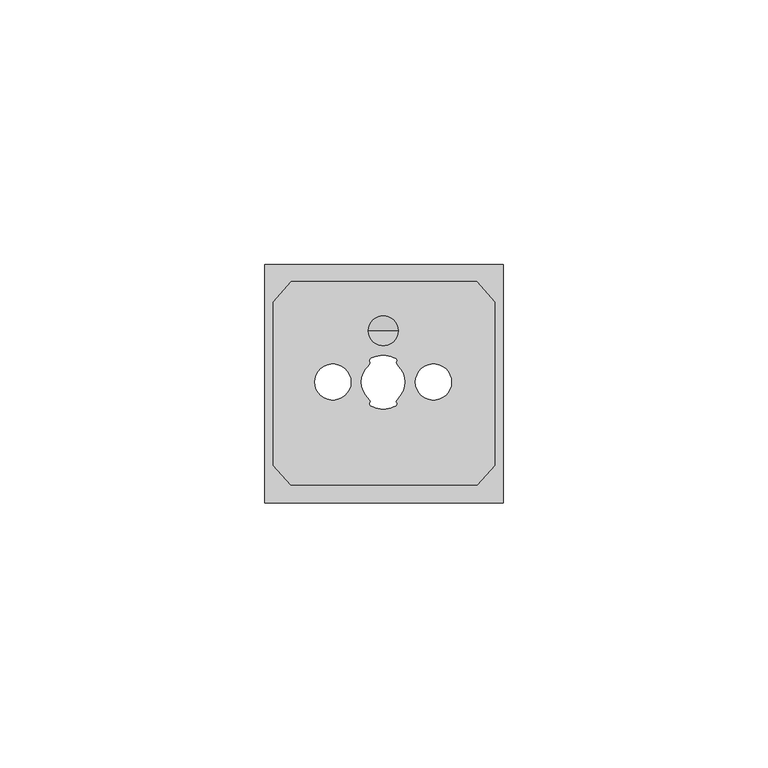
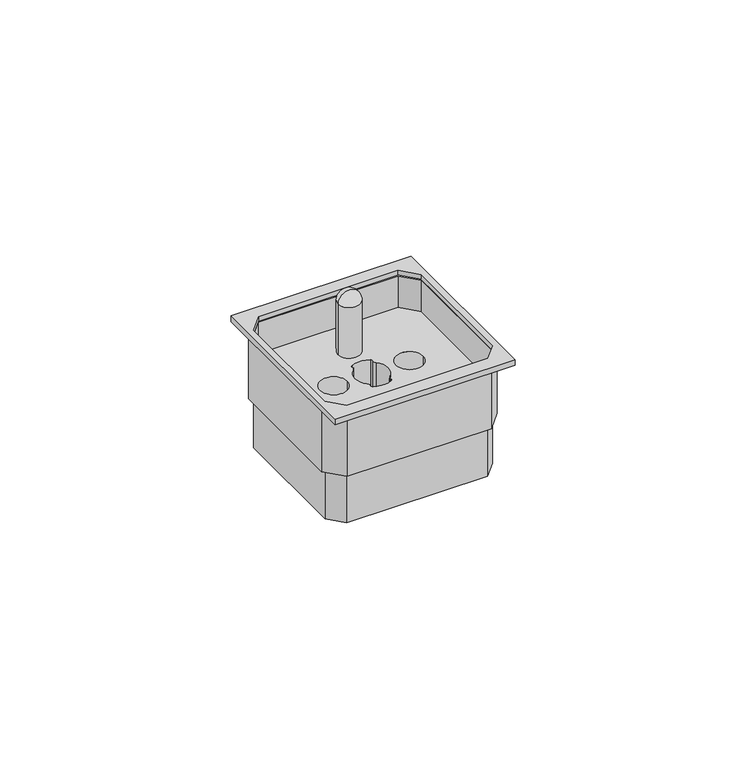
"""IFC4 building model written with IfcOpenShell, lengths in millimetres: proxy geometry."""

from ifc_helpers import new_model, si_unit, point, frame, origin, origin_with_axes, place, context, project, spatial, polyline, circle_curve, ellipse_curve, trimmed, outline, extrude, source, transform, mapped, element, save
from ifc_brep_helpers import plane_surface, cylinder_surface, revolved_surface, advanced_brep


def electrical_fixtures_b7c8e9e1(model_context):
    return source(origin(), model_context, "Body", "SolidModel", [
        advanced_brep(
        [(25.1564246, 32.5067214, -7.971422), (19.5435754, 32.5067214, -7.971422), (19.5435754, 32.5067214, 5.3723364), (25.1564246, 32.5067214, 5.3723364), (22.35, 32.5067214, -7.971422), (22.35, 32.5067214, 8.178761)],
        [
            (0, 1, circle_curve(frame((22.35, 32.5067214, -7.971422), z_axis=(0.0, 0.0, 1.0), x_axis=(-1.0, 0.0, 0.0)), 2.8064246)),
            (1, 2),
            (2, 3, circle_curve(frame((22.35, 32.5067214, 5.3723364), z_axis=(0.0, 0.0, -1.0), x_axis=(-1.0, 0.0, 0.0)), 2.8064246)),
            (3, 0),
            (1, 0, circle_curve(frame((22.35, 32.5067214, -7.971422), z_axis=(0.0, 0.0, 1.0), x_axis=(-1.0, 0.0, 0.0)), 2.8064246)),
            (3, 2, circle_curve(frame((22.35, 32.5067214, 5.3723364), z_axis=(0.0, 0.0, -1.0), x_axis=(-1.0, 0.0, 0.0)), 2.8064246)),
            (4, 1),
            (0, 4),
            (2, 5, circle_curve(frame((22.35, 32.5067214, 5.3723364), z_axis=(0.0, 1.0, 0.0), x_axis=(1.0, 0.0, 0.0)), 2.8064246)),
            (5, 3, circle_curve(frame((22.35, 32.5067214, 5.3723364), z_axis=(0.0, 1.0, 0.0), x_axis=(-1.0, 0.0, 0.0)), 2.8064246)),
        ],
        [
            cylinder_surface(frame((22.35, 32.5067214, 8.6735164), z_axis=(0.0, 0.0, -1.0), x_axis=(-1.0, 0.0, 0.0)), 2.8064246),
            plane_surface(frame((22.35, 32.5067214, -7.971422), z_axis=(0.0, 0.0, -1.0), x_axis=(-1.0, 0.0, 0.0))),
            revolved_surface(trimmed(ellipse_curve(frame((22.35, 32.5067214, 5.3723364), z_axis=(0.0, -1.0, 0.0), x_axis=(1.0, 0.0, 0.0)), 2.8064246, 2.8064246), [point((22.35, 32.5067214, 8.178761))], [point((19.5435754, 32.5067214, 5.3723364))], True, "CARTESIAN"), (22.35, 32.5067214, 8.6735164), (0.0, 0.0, -1.0)),
        ],
        [
            (0, [[1, 2, 3, 4]]),
            (0, [[5, -4, 6, -2]]),
            (1, [[7, -1, 8]]),
            (1, [[-8, -5, -7]]),
            (2, [[-3, 9, 10]]),
            (2, [[-6, -10, -9]]),
        ],
    ),
        extrude(outline(polyline([(40.4129877, 42.7791576), (44.4291576, 38.3427302), (44.4291576, 6.6572698), (40.5299104, 2.35), (4.4700896, 2.35), (0.5708424, 6.6572698), (0.5708424, 38.3427302), (4.5870123, 42.7791576), (40.4129877, 42.7791576)]), holes=[polyline([(5.0306354, 41.7791576), (1.5708424, 37.9573271), (1.5708424, 7.0426729), (4.9137127, 3.35), (40.0862873, 3.35), (43.4291576, 7.0426729), (43.4291576, 37.9573271), (39.9693646, 41.7791576), (5.0306354, 41.7791576)])]), frame((0.0, 0.0, -16.5585897), z_axis=(0.0, 0.0, 1.0), x_axis=(1.0, 0.0, 0.0)), (0.0, 0.0, 1.0), 16.5585897),
        advanced_brep(
        [(5.0306354, 41.7791576, -7.971422), (1.5708424, 37.9573271, -7.971422), (1.5708424, 7.0426729, -7.971422), (4.9137127, 3.35, -7.971422), (40.0862873, 3.35, -7.971422), (43.4291576, 7.0426729, -7.971422), (43.4291576, 37.9573271, -7.971422), (39.9693646, 41.7791576, -7.971422), (9.453694, 22.8075188, -7.971422), (16.253694, 22.8075188, -7.971422), (28.446306, 22.8075188, -7.971422), (35.246306, 22.8075188, -7.971422), (19.5435754, 19.8185422, -7.971422), (19.5435754, 25.7964953, -7.971422), (20.0092698, 26.4860346, -7.971422), (20.0727671, 27.3265323, -7.971422), (24.6727671, 27.3265323, -7.971422), (24.6907302, 26.4860346, -7.971422), (25.1564246, 25.7964953, -7.971422), (25.1564246, 19.8185422, -7.971422), (24.6907302, 19.1290029, -7.971422), (24.6272329, 18.2885052, -7.971422), (20.0727671, 18.2885052, -7.971422), (20.0092698, 19.1290029, -7.971422), (5.0306354, 41.7791576, -29.5858733), (39.9693646, 41.7791576, -29.5858733), (43.4291576, 37.9573271, -29.5858733), (43.4291576, 7.0426729, -29.5858733), (40.0862873, 3.35, -29.5858733), (4.9137127, 3.35, -29.5858733), (1.5708424, 7.0426729, -29.5858733), (1.5708424, 37.9573271, -29.5858733), (9.453694, 22.8075188, -29.5858733), (16.253694, 22.8075188, -29.5858733), (28.446306, 22.8075188, -29.5858733), (35.246306, 22.8075188, -29.5858733), (19.5435754, 19.8185422, -29.5858733), (20.0092698, 19.1290029, -29.5858733), (20.0727671, 18.2885052, -29.5858733), (24.6727671, 18.2885052, -29.5858733), (24.6907302, 19.1290029, -29.5858733), (25.1564246, 19.8185422, -29.5858733), (25.1564246, 25.7964953, -29.5858733), (24.6907302, 26.4860346, -29.5858733), (24.6272329, 27.3265323, -29.5858733), (20.0727671, 27.3265323, -29.5858733), (20.0092698, 26.4860346, -29.5858733), (19.5435754, 25.7964953, -29.5858733)],
        [
            (0, 1),
            (1, 2),
            (2, 3),
            (3, 4),
            (4, 5),
            (5, 6),
            (6, 7),
            (7, 0),
            (8, 9, circle_curve(frame((12.853694, 22.8075188, -7.971422), z_axis=(0.0, 0.0, -1.0), x_axis=(1.0, 0.0, 0.0)), 3.4)),
            (9, 8, circle_curve(frame((12.853694, 22.8075188, -7.971422), z_axis=(0.0, 0.0, -1.0), x_axis=(1.0, 0.0, 0.0)), 3.4)),
            (10, 11, circle_curve(frame((31.846306, 22.8075188, -7.971422), z_axis=(0.0, 0.0, -1.0), x_axis=(1.0, 0.0, 0.0)), 3.4)),
            (11, 10, circle_curve(frame((31.846306, 22.8075188, -7.971422), z_axis=(0.0, 0.0, -1.0), x_axis=(1.0, 0.0, 0.0)), 3.4)),
            (12, 13, circle_curve(frame((22.35, 22.8075188, -7.971422), z_axis=(0.0, 0.0, -1.0), x_axis=(1.0, 0.0, 0.0)), 4.1)),
            (13, 14),
            (14, 15, circle_curve(frame((20.3026053, 26.8865213, -7.971422), z_axis=(0.0, 0.0, -1.0), x_axis=(1.0, 0.0, 0.0)), 0.4964225)),
            (15, 16, circle_curve(frame((22.3727671, 22.9233239, -7.971422), z_axis=(0.0, 0.0, -1.0), x_axis=(1.0, 0.0, 0.0)), 4.9677202)),
            (16, 17, circle_curve(frame((24.3973947, 26.8865213, -7.971422), z_axis=(0.0, 0.0, -1.0), x_axis=(1.0, 0.0, 0.0)), 0.4964225)),
            (17, 18),
            (18, 19, circle_curve(frame((22.35, 22.8075188, -7.971422), z_axis=(0.0, 0.0, -1.0), x_axis=(1.0, 0.0, 0.0)), 4.1)),
            (19, 20),
            (20, 21, circle_curve(frame((24.3973947, 18.7285162, -7.971422), z_axis=(0.0, 0.0, -1.0), x_axis=(1.0, 0.0, 0.0)), 0.4964225)),
            (21, 22, circle_curve(frame((22.3727671, 22.6917136, -7.971422), z_axis=(0.0, 0.0, -1.0), x_axis=(1.0, 0.0, 0.0)), 4.9677202)),
            (22, 23, circle_curve(frame((20.3026053, 18.7285162, -7.971422), z_axis=(0.0, 0.0, -1.0), x_axis=(1.0, 0.0, 0.0)), 0.4964225)),
            (23, 12),
            (24, 25),
            (25, 26),
            (26, 27),
            (27, 28),
            (28, 29),
            (29, 30),
            (30, 31),
            (31, 24),
            (32, 33, circle_curve(frame((12.853694, 22.8075188, -29.5858733), z_axis=(0.0, 0.0, 1.0), x_axis=(1.0, 0.0, 0.0)), 3.4)),
            (33, 32, circle_curve(frame((12.853694, 22.8075188, -29.5858733), z_axis=(0.0, 0.0, 1.0), x_axis=(1.0, 0.0, 0.0)), 3.4)),
            (34, 35, circle_curve(frame((31.846306, 22.8075188, -29.5858733), z_axis=(0.0, 0.0, 1.0), x_axis=(1.0, 0.0, 0.0)), 3.4)),
            (35, 34, circle_curve(frame((31.846306, 22.8075188, -29.5858733), z_axis=(0.0, 0.0, 1.0), x_axis=(1.0, 0.0, 0.0)), 3.4)),
            (36, 37),
            (37, 38, circle_curve(frame((20.3026053, 18.7285162, -29.5858733), z_axis=(0.0, 0.0, 1.0), x_axis=(1.0, 0.0, 0.0)), 0.4964225)),
            (38, 39, circle_curve(frame((22.3727671, 22.6917136, -29.5858733), z_axis=(0.0, 0.0, 1.0), x_axis=(1.0, 0.0, 0.0)), 4.9677202)),
            (39, 40, circle_curve(frame((24.3973947, 18.7285162, -29.5858733), z_axis=(0.0, 0.0, 1.0), x_axis=(1.0, 0.0, 0.0)), 0.4964225)),
            (40, 41),
            (41, 42, circle_curve(frame((22.35, 22.8075188, -29.5858733), z_axis=(0.0, 0.0, 1.0), x_axis=(1.0, 0.0, 0.0)), 4.1)),
            (42, 43),
            (43, 44, circle_curve(frame((24.3973947, 26.8865213, -29.5858733), z_axis=(0.0, 0.0, 1.0), x_axis=(1.0, 0.0, 0.0)), 0.4964225)),
            (44, 45, circle_curve(frame((22.3727671, 22.9233239, -29.5858733), z_axis=(0.0, 0.0, 1.0), x_axis=(1.0, 0.0, 0.0)), 4.9677202)),
            (45, 46, circle_curve(frame((20.3026053, 26.8865213, -29.5858733), z_axis=(0.0, 0.0, 1.0), x_axis=(1.0, 0.0, 0.0)), 0.4964225)),
            (46, 47),
            (47, 36, circle_curve(frame((22.35, 22.8075188, -29.5858733), z_axis=(0.0, 0.0, 1.0), x_axis=(1.0, 0.0, 0.0)), 4.1)),
            (8, 32),
            (33, 9),
            (10, 34),
            (35, 11),
            (12, 36),
            (47, 13),
            (46, 14),
            (45, 15),
            (44, 16),
            (43, 17),
            (42, 18),
            (41, 19),
            (40, 20),
            (39, 21),
            (38, 22),
            (37, 23),
            (0, 24),
            (31, 1),
            (30, 2),
            (29, 3),
            (28, 4),
            (27, 5),
            (26, 6),
            (25, 7),
        ],
        [
            plane_surface(frame((16.253694, 22.8075188, -7.971422), z_axis=(0.0, 0.0, 1.0), x_axis=(0.0, -1.0, 0.0))),
            plane_surface(frame((16.253694, 22.8075188, -29.5858733), z_axis=(0.0, 0.0, -1.0), x_axis=(0.0, 1.0, 0.0))),
            revolved_surface(polyline([(16.253694, 22.8075188, -29.5858733), (16.253694, 22.8075188, -7.9714220000000005)]), (12.853694, 22.8075188, -29.5858733), (0.0, 0.0, -1.0)),
            revolved_surface(polyline([(35.246306, 22.8075188, -29.5858733), (35.246306, 22.8075188, -7.9714220000000005)]), (31.846306, 22.8075188, -37.3085897), (0.0, 0.0, -1.0)),
            revolved_surface(polyline([(26.450000000000003, 22.8075188, -29.5858733), (26.450000000000003, 22.8075188, -7.9714220000000005)]), (22.35, 22.8075188, -37.3085897), (0.0, 0.0, -1.0)),
            plane_surface(frame((19.5435754, 25.7964953, -7.971422), z_axis=(0.8287063084630238, -0.5596837091729466, 0.0), x_axis=(0.0, 0.0, -1.0))),
            revolved_surface(polyline([(20.7990278, 26.8865213, -29.5858733), (20.7990278, 26.8865213, -7.9714220000000005)]), (20.3026053, 26.8865213, -37.3085897), (0.0, 0.0, -1.0)),
            revolved_surface(polyline([(27.3404873, 22.9233239, -29.5858733), (27.3404873, 22.9233239, -7.9714220000000005)]), (22.3727671, 22.9233239, -37.3085897), (0.0, 0.0, -1.0)),
            revolved_surface(polyline([(24.8938172, 26.8865213, -29.5858733), (24.8938172, 26.8865213, -7.9714220000000005)]), (24.3973947, 26.8865213, -37.3085897), (0.0, 0.0, -1.0)),
            plane_surface(frame((24.6907302, 26.4860346, -7.971422), z_axis=(-0.8287063084630202, -0.5596837091729523, 0.0), x_axis=(0.0, 0.0, -1.0))),
            plane_surface(frame((25.1564246, 19.8185422, -7.971422), z_axis=(-0.8287063084630178, 0.5596837091729557, 0.0), x_axis=(0.0, 0.0, -1.0))),
            revolved_surface(polyline([(24.8938172, 18.7285162, -29.5858733), (24.8938172, 18.7285162, -7.9714220000000005)]), (24.3973947, 18.7285162, -37.3085897), (0.0, 0.0, -1.0)),
            revolved_surface(polyline([(27.3404873, 22.6917136, -29.5858733), (27.3404873, 22.6917136, -7.9714220000000005)]), (22.3727671, 22.6917136, -37.3085897), (0.0, 0.0, -1.0)),
            revolved_surface(polyline([(20.7990278, 18.7285162, -29.5858733), (20.7990278, 18.7285162, -7.9714220000000005)]), (20.3026053, 18.7285162, -37.3085897), (0.0, 0.0, -1.0)),
            plane_surface(frame((20.0092698, 19.1290029, -7.971422), z_axis=(0.828706308463017, 0.559683709172957, 0.0), x_axis=(0.0, 0.0, -1.0))),
            plane_surface(frame((5.0306354, 41.7791576, -7.971422), z_axis=(-0.7413479124219522, 0.6711209076966784, 0.0), x_axis=(0.0, 0.0, -1.0))),
            plane_surface(frame((1.5708424, 37.9573271, -7.971422), z_axis=(-1.0, 0.0, 0.0), x_axis=(0.0, 0.0, -1.0))),
            plane_surface(frame((1.5708424, 7.0426729, -7.971422), z_axis=(-0.741347912420425, -0.6711209076983655, 0.0), x_axis=(0.0, 0.0, -1.0))),
            plane_surface(frame((4.9137127, 3.35, -7.971422), z_axis=(0.0, -1.0, 0.0), x_axis=(0.0, 0.0, -1.0))),
            plane_surface(frame((40.0862873, 3.35, -7.971422), z_axis=(0.7413479124219523, -0.6711209076966783, 0.0), x_axis=(0.0, 0.0, -1.0))),
            plane_surface(frame((43.4291576, 7.0426729, -7.971422), z_axis=(1.0, 0.0, 0.0), x_axis=(0.0, 0.0, -1.0))),
            plane_surface(frame((43.4291576, 37.9573271, -7.971422), z_axis=(0.7413479124219522, 0.6711209076966784, 0.0), x_axis=(0.0, 0.0, -1.0))),
            plane_surface(frame((39.9693646, 41.7791576, -7.971422), z_axis=(0.0, 1.0, 0.0), x_axis=(0.0, 0.0, -1.0))),
        ],
        [
            (0, [[1, 2, 3, 4, 5, 6, 7, 8], [9, 10], [11, 12], [13, 14, 15, 16, 17, 18, 19, 20, 21, 22, 23, 24]]),
            (1, [[25, 26, 27, 28, 29, 30, 31, 32], [33, 34], [35, 36], [37, 38, 39, 40, 41, 42, 43, 44, 45, 46, 47, 48]]),
            (2, [[-9, 49, -34, 50]]),
            (2, [[-10, -50, -33, -49]]),
            (3, [[-11, 51, -36, 52]]),
            (3, [[-12, -52, -35, -51]]),
            (4, [[-13, 53, -48, 54]]),
            (5, [[-14, -54, -47, 55]]),
            (6, [[-15, -55, -46, 56]]),
            (7, [[-16, -56, -45, 57]]),
            (8, [[-17, -57, -44, 58]]),
            (9, [[-18, -58, -43, 59]]),
            (4, [[-19, -59, -42, 60]]),
            (10, [[-20, -60, -41, 61]]),
            (11, [[-21, -61, -40, 62]]),
            (12, [[-22, -62, -39, 63]]),
            (13, [[-23, -63, -38, 64]]),
            (14, [[-24, -64, -37, -53]]),
            (15, [[-1, 65, -32, 66]]),
            (16, [[-2, -66, -31, 67]]),
            (17, [[-3, -67, -30, 68]]),
            (18, [[-4, -68, -29, 69]]),
            (19, [[-5, -69, -28, 70]]),
            (20, [[-6, -70, -27, 71]]),
            (21, [[-7, -71, -26, 72]]),
            (22, [[-8, -72, -25, -65]]),
        ],
    ),
        extrude(outline(polyline([(0.0, 45.0), (45.0, 45.0), (45.0, 0.0), (0.0, 0.0), (0.0, 45.0)]), holes=[polyline([(39.9693646, 41.7791576), (5.0306354, 41.7791576), (1.5708424, 37.9573271), (1.5708424, 7.0426729), (4.9137127, 3.35), (40.0862873, 3.35), (43.4291576, 7.0426729), (43.4291576, 37.9573271), (39.9693646, 41.7791576)])]), origin_with_axes(), (0.0, 0.0, 1.0), 1.5),
    ])


if __name__ == "__main__":
    model = new_model("IFC4")
    model_context = context("Model", 3, world=origin())
    ifc_project = project(units=[si_unit("LENGTHUNIT", "METRE", prefix="MILLI")], contexts=[model_context])
    site = spatial("IfcSite", under=ifc_project)
    building = spatial("IfcBuilding", under=site)
    placement = place(None, origin())
    electrical_fixtures_shape = electrical_fixtures_b7c8e9e1(model_context)
    element("IfcBuildingElementProxy", 1, Name="Electrical Fixtures", at=placement, inside=building, context=model_context, shape_type="MappedRepresentation", body=[
        mapped(electrical_fixtures_shape, transform((0.0, 0.0, 0.0), x_axis=(1.0, 0.0, 0.0), y_axis=(0.0, 1.0, 0.0), z_axis=(0.0, 0.0, 1.0))),
    ])
    save(model, "model.ifc")
